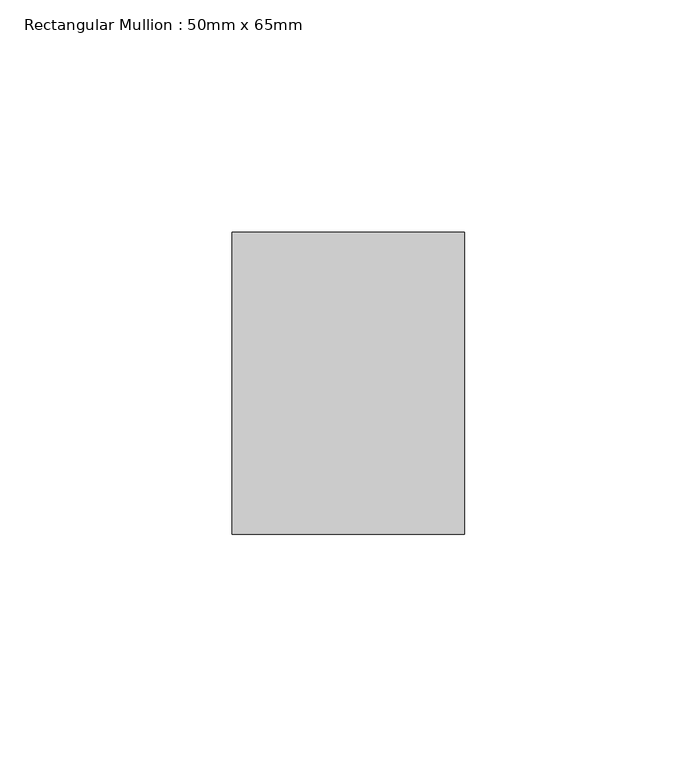
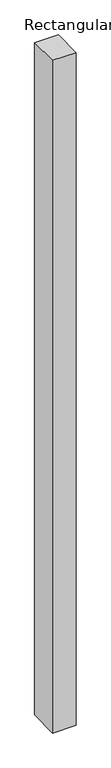
"""IFC4 building model written with IfcOpenShell, lengths in millimetres: member geometry, Rectangular Mullion : 50mm x 65mm."""

import ifcopenshell
import ifcopenshell.guid

model = None  # the IFC model being written
_history = None  # IfcOwnerHistory: only IFC2X3 demands one
_inside = {}  # id of a spatial element -> (the spatial element, [elements in it])
_under = {}  # id of a project, library or spatial element -> (it, [spatial elements below it])
_declared = {}  # id of a project -> (the project, [libraries it declares])
_typed = {}  # id of a type object -> (the type object, [elements of that type])
_made_of = {}  # id of a material, layer set ... -> (it, [elements and type objects made of it])


def new_model(schema):
    """Start an empty IFC model of exactly this schema.

    Asked for "IFC4X3", IfcOpenShell would pick the latest addendum, in which some entities
    have other attributes; the version numbers below select the first issue.
    IFC2X3 requires an IfcOwnerHistory on every rooted entity: one is made here for all.
    """
    global model, _history
    if schema == "IFC4X3":
        model = ifcopenshell.file(schema_version=(4, 3, 0, 0))
    else:
        model = ifcopenshell.file(schema=schema)
    _inside.clear()
    _under.clear()
    _declared.clear()
    _typed.clear()
    _made_of.clear()
    _history = None
    if model.schema == "IFC2X3":
        org = make("IfcOrganization", Name="unknown")
        user = make(
            "IfcPersonAndOrganization",
            ThePerson=make("IfcPerson", FamilyName="unknown"),
            TheOrganization=org,
        )
        app = make(
            "IfcApplication",
            ApplicationDeveloper=org,
            Version="unknown",
            ApplicationFullName="unknown",
            ApplicationIdentifier="unknown",
        )
        _history = make(
            "IfcOwnerHistory",
            OwningUser=user,
            OwningApplication=app,
            ChangeAction="ADDED",
            CreationDate=0,
        )
    return model


def make(cls, **values):
    """One entity of the class cls with the attributes given. An attribute that is None is left unset."""
    return model.create_entity(
        cls, **{name: value for name, value in values.items() if value is not None}
    )


def rooted(cls, **values):
    """An entity with a GlobalId (a new one), such as an element, a storey or a relation."""
    return make(cls, GlobalId=ifcopenshell.guid.new(), OwnerHistory=_history, **values)


def si_unit(unit_type, name, prefix=None):
    """IfcSIUnit, for example si_unit("LENGTHUNIT", "METRE", prefix="MILLI")."""
    return make("IfcSIUnit", UnitType=unit_type, Prefix=prefix, Name=name)


def assignment(units):
    """IfcUnitAssignment: the units of a project."""
    return None if units is None else make("IfcUnitAssignment", Units=units)


def point(xyz):
    """IfcCartesianPoint."""
    return None if xyz is None else make("IfcCartesianPoint", Coordinates=xyz)


def direction(xyz):
    """IfcDirection."""
    return None if xyz is None else make("IfcDirection", DirectionRatios=xyz)


def frame(location, z_axis=None, x_axis=None):
    """IfcAxis2Placement3D, a coordinate frame: its origin and axes. An axis left out is left unset."""
    return make(
        "IfcAxis2Placement3D",
        Location=point(location),
        Axis=direction(z_axis),
        RefDirection=direction(x_axis),
    )


def origin():
    """The frame at (0, 0, 0) with its axes left unset."""
    return frame((0.0, 0.0, 0.0))


def place(relative_to, where):
    """IfcLocalPlacement: puts the frame where relative to a parent placement (None: the world)."""
    return make(
        "IfcLocalPlacement", PlacementRelTo=relative_to, RelativePlacement=where
    )


def context(
    kind, dimensions, precision=None, world=None, true_north=None, identifier=None
):
    """IfcGeometricRepresentationContext, for example the 3D "Model" context."""
    return make(
        "IfcGeometricRepresentationContext",
        ContextIdentifier=identifier,
        ContextType=kind,
        CoordinateSpaceDimension=dimensions,
        Precision=precision,
        WorldCoordinateSystem=world,
        TrueNorth=true_north,
    )


def project(units=None, contexts=None):
    """IfcProject with its units and contexts."""
    return rooted(
        "IfcProject",
        Name="project",
        RepresentationContexts=contexts,
        UnitsInContext=assignment(units),
    )


def spatial(cls, under=None, at=None, **own):
    """A site, building, storey or space (cls), placed at a placement, below another one or the project."""
    s = rooted(cls, ObjectPlacement=at, **own)
    if under is not None:
        _under.setdefault(under.id(), (under, []))[1].append(s)
    return s


def polyline(points):
    """IfcPolyline through the points."""
    return make("IfcPolyline", Points=[point(p) for p in points])


def outline(outer, holes=None, kind="AREA"):
    """IfcArbitraryClosedProfileDef: a profile drawn as a closed curve; with holes, ...WithVoids."""
    if holes is None:
        return make("IfcArbitraryClosedProfileDef", ProfileType=kind, OuterCurve=outer)
    return make(
        "IfcArbitraryProfileDefWithVoids",
        ProfileType=kind,
        OuterCurve=outer,
        InnerCurves=holes,
    )


def extrude(swept, where, along, depth):
    """IfcExtrudedAreaSolid: the profile swept, set in the frame where, extruded along a direction by depth."""
    return make(
        "IfcExtrudedAreaSolid",
        SweptArea=swept,
        Position=where,
        ExtrudedDirection=direction(along),
        Depth=depth,
    )


def shape(context_of_items, identifier, shape_type, items):
    """IfcShapeRepresentation: the items that make up one representation, for example the "Body"."""
    return make(
        "IfcShapeRepresentation",
        ContextOfItems=context_of_items,
        RepresentationIdentifier=identifier,
        RepresentationType=shape_type,
        Items=items,
    )


def source(mapping_origin, context_of_items, identifier, shape_type, items):
    """IfcRepresentationMap: a shape defined once, which mapped items show again and again."""
    return make(
        "IfcRepresentationMap",
        MappingOrigin=mapping_origin,
        MappedRepresentation=shape(context_of_items, identifier, shape_type, items),
    )


def transform(
    local_origin,
    x_axis=None,
    y_axis=None,
    z_axis=None,
    scale=None,
    scale2=None,
    scale3=None,
    uniform=True,
):
    """IfcCartesianTransformationOperator3D, or its non-uniform kind. x_axis, y_axis, z_axis: its Axis1, 2, 3."""
    if uniform:
        return make(
            "IfcCartesianTransformationOperator3D",
            Axis1=direction(x_axis),
            Axis2=direction(y_axis),
            LocalOrigin=point(local_origin),
            Scale=scale,
            Axis3=direction(z_axis),
        )
    return make(
        "IfcCartesianTransformationOperator3DnonUniform",
        Axis1=direction(x_axis),
        Axis2=direction(y_axis),
        LocalOrigin=point(local_origin),
        Scale=scale,
        Axis3=direction(z_axis),
        Scale2=scale2,
        Scale3=scale3,
    )


def mapped(mapping_source, mapping_target):
    """IfcMappedItem: shows the shape of a source again, moved by a transform."""
    return make(
        "IfcMappedItem", MappingSource=mapping_source, MappingTarget=mapping_target
    )


def made_of(thing, what):
    """Note that an element or type object is made of a material, layer set ...; save() writes the relation."""
    if what is not None:
        _made_of.setdefault(what.id(), (what, []))[1].append(thing)
    return thing


def element(
    cls,
    number,
    at=None,
    inside=None,
    cuts=None,
    type_object=None,
    material=None,
    context=None,
    identifier="Body",
    shape_type=None,
    held_by="IfcProductDefinitionShape",
    body=None,
    shapes=None,
    **own,
):
    """One element of the class cls, such as IfcWall. Its Tag is "e" and its number.

    at: its placement. inside: the storey or other place that contains it. cuts: it is an
    opening in that element (IfcRelVoidsElement). A single representation is given by context,
    identifier, shape_type and body (its items); several are given by shapes. held_by: the class
    of the entity that holds the representations. save() writes the other relations.
    """
    e = rooted(cls, Tag="e%d" % number, ObjectPlacement=at, **own)
    if body is not None:
        shapes = [shape(context, identifier, shape_type, body)]
    if shapes is not None:
        e.Representation = make(held_by, Representations=shapes)
    if inside is not None:
        _inside.setdefault(inside.id(), (inside, []))[1].append(e)
    if cuts is not None:
        rooted(
            "IfcRelVoidsElement", RelatingBuildingElement=cuts, RelatedOpeningElement=e
        )
    if type_object is not None:
        _typed.setdefault(type_object.id(), (type_object, []))[1].append(e)
    return made_of(e, material)


def aggregate(whole, parts):
    """IfcRelAggregates: a whole, such as a stair, and the parts it consists of."""
    return rooted("IfcRelAggregates", RelatingObject=whole, RelatedObjects=parts)


def save(model, path):
    """Write the relations noted so far, then the file.

    IfcRelAggregates (storeys below a building ...), IfcRelContainedInSpatialStructure (elements
    in a storey), IfcRelDefinesByType, IfcRelAssociatesMaterial and IfcRelDeclares: one each for
    every whole, place, type object, material and project.
    """
    for whole, parts in _under.values():
        aggregate(whole, parts)
    for where, things in _inside.values():
        rooted(
            "IfcRelContainedInSpatialStructure",
            RelatedElements=things,
            RelatingStructure=where,
        )
    for kind, things in _typed.values():
        rooted("IfcRelDefinesByType", RelatedObjects=things, RelatingType=kind)
    for what, things in _made_of.values():
        rooted("IfcRelAssociatesMaterial", RelatedObjects=things, RelatingMaterial=what)
    for by, libraries in _declared.values():
        rooted("IfcRelDeclares", RelatingContext=by, RelatedDefinitions=libraries)
    model.write(path)


def rectangular_mullion_50mm_x_65mm_7f3578e0(model_context):
    return source(origin(), model_context, "Body", "SweptSolid", [
        extrude(outline(polyline([(-32.5, 0.0), (32.5, 0.0), (32.5, -1499.3974024), (-32.5, -1500.6018354), (-32.5, 0.0)])), frame((-25.0, 0.0, 0.0), z_axis=(1.0, 0.0, 0.0), x_axis=(0.0, 1.0, 0.0)), (0.0, 0.0, 1.0), 50.0),
    ])


if __name__ == "__main__":
    model = new_model("IFC4")
    model_context = context("Model", 3, world=origin())
    ifc_project = project(units=[si_unit("LENGTHUNIT", "METRE", prefix="MILLI")], contexts=[model_context])
    site = spatial("IfcSite", under=ifc_project)
    building = spatial("IfcBuilding", under=site)
    placement = place(None, origin())
    rectangular_mullion_50mm_x_65mm_shape = rectangular_mullion_50mm_x_65mm_7f3578e0(model_context)
    element("IfcMember", 1, ObjectType="Rectangular Mullion : 50mm x 65mm", at=placement, inside=building, context=model_context, shape_type="MappedRepresentation", body=[
        mapped(rectangular_mullion_50mm_x_65mm_shape, transform((0.0, 0.0, 0.0), x_axis=(1.0, 0.0, 0.0), y_axis=(0.0, 1.0, 0.0), z_axis=(0.0, 0.0, 1.0))),
    ])
    save(model, "model.ifc")
